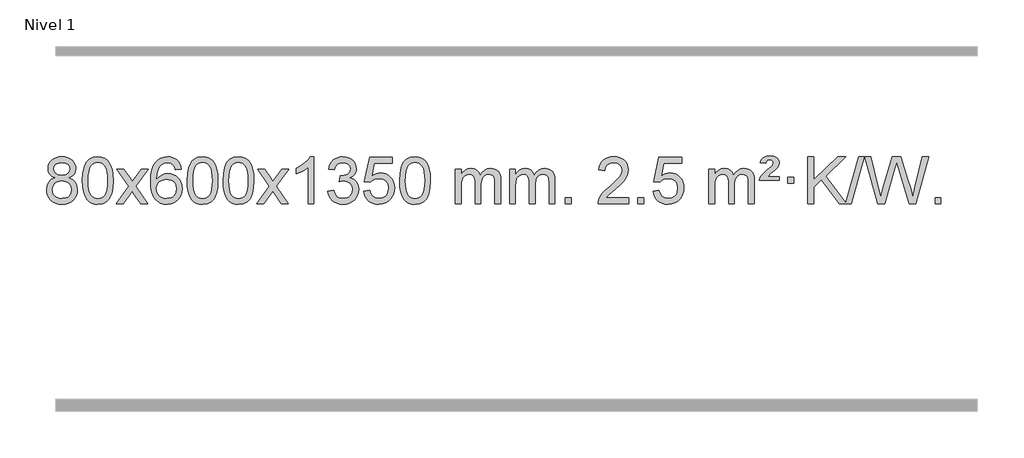
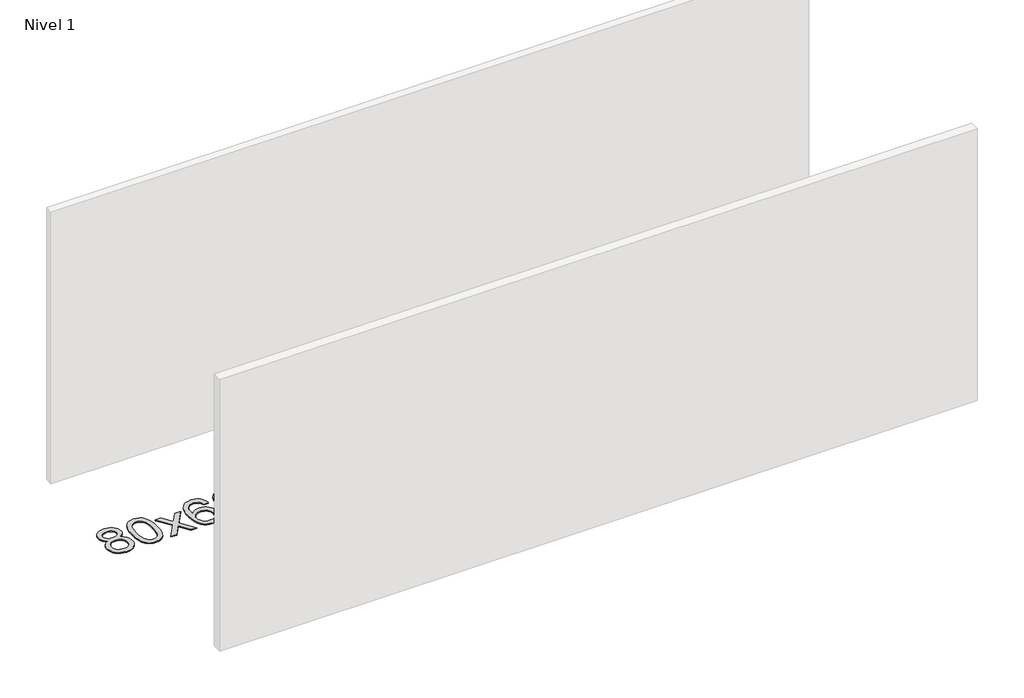
# One storey, part 10 of 18: 1 proxy.
"""IFC4 building model written with IfcOpenShell, lengths in millimetres."""

from ifc_helpers import new_model, si_unit, origin, origin_with_axes, place, context, project, spatial, polyline, outline, extrude, element, save

model = new_model("IFC4")

# Units and contexts
model_context = context("Model", 3, world=origin())
ifc_project = project(units=[si_unit("LENGTHUNIT", "METRE", prefix="MILLI")], contexts=[model_context])

# Site, building, storey
site = spatial("IfcSite", under=ifc_project)
building = spatial("IfcBuilding", under=site)
storey = spatial("IfcBuildingStorey", under=building, Name="Nivel 1", Elevation=0.0)

# Proxy
placement = place(None, origin())
element("IfcBuildingElementProxy", 1, Name="Texto de modelo 1", ObjectType="Texto de modelo 1", at=placement, inside=storey, context=model_context, shape_type="SweptSolid", body=[
    extrude(outline(polyline([(-12882.9857189, -12224.2616447), (-12909.8778927, -12211.0178929), (-12928.7502391, -12193.0652515), (-12939.8970635, -12170.7716026), (-12943.6126717, -12144.5048281), (-12941.5893207, -12124.0199324), (-12935.5192678, -12105.2395565), (-12925.4025129, -12088.1637006), (-12911.2390561, -12072.7923645), (-12893.709479, -12060.088173), (-12873.4943634, -12051.0137504), (-12850.5937092, -12045.5690969), (-12825.0075164, -12043.7542124), (-12799.2986964, -12045.6120165), (-12776.2263639, -12051.1854287), (-12755.7905191, -12060.4744491), (-12737.9911619, -12073.4790776), (-12723.5701876, -12089.1508506), (-12713.2694918, -12106.4413044), (-12707.0890743, -12125.3504389), (-12705.0289351, -12145.8782543), (-12708.6954923, -12171.2989001), (-12719.695164, -12193.2124043), (-12738.1505774, -12211.0546811), (-12764.1843599, -12224.2616447), (-12733.2700096, -12240.1909351), (-12710.7678942, -12263.6495436), (-12697.0458958, -12293.5092989), (-12692.4718963, -12328.6420295), (-12694.740502, -12353.6947933), (-12701.5463189, -12376.6628926), (-12712.8893471, -12397.5463272), (-12728.7695865, -12416.3450971), (-12748.3531714, -12431.88198), (-12770.8062358, -12442.9797536), (-12796.1287798, -12449.6384177), (-12824.3208034, -12451.8579724), (-12852.512827, -12449.6292206), (-12877.835371, -12442.9429654), (-12900.2884354, -12431.7992066), (-12919.8720203, -12416.1979443), (-12935.7522597, -12397.26735), (-12947.0952879, -12376.135595), (-12953.9011048, -12352.8026795), (-12956.1697105, -12327.2686033), (-12951.41177, -12290.7747094), (-12937.1379486, -12260.7555386), (-12914.0840102, -12238.2411605), (-12882.9857189, -12224.2616447)]), holes=[polyline([(-12893.3845166, -12145.9763561), (-12888.9331445, -12167.902123), (-12875.5790281, -12185.413306), (-12853.7145748, -12196.8912243), (-12823.7321922, -12200.717197), (-12794.4487854, -12196.9157497), (-12772.9154259, -12185.5114079), (-12759.6716741, -12168.5888361), (-12755.2570902, -12148.232699), (-12759.8188269, -12127.1040098), (-12773.5040371, -12109.629615), (-12795.3317022, -12097.8941794), (-12824.3208034, -12093.9823675), (-12853.4938456, -12097.8083402), (-12875.2847225, -12109.2862585), (-12888.8595681, -12126.1107284), (-12893.3845166, -12145.9763561)]), polyline([(-12905.9415554, -12325.5027698), (-12903.844628, -12344.7184726), (-12897.5538459, -12363.3210389), (-12885.9410376, -12379.5446349), (-12867.8780316, -12391.623427), (-12846.2465703, -12399.1282197), (-12823.9283959, -12401.6298173), (-12789.7398958, -12396.3691048), (-12775.8462192, -12389.7932141), (-12764.086258, -12380.5869672), (-12748.0466031, -12356.6869002), (-12742.7000514, -12327.0723996), (-12748.2182813, -12296.9551269), (-12764.7729711, -12272.5277625), (-12776.8517633, -12263.0854579), (-12791.0152201, -12256.3409547), (-12825.5961276, -12250.9453521), (-12859.3063811, -12256.2673783), (-12873.043708, -12262.919911), (-12884.7025015, -12272.2334569), (-12900.6317919, -12296.1948375), (-12905.9415554, -12325.5027698)])]), origin_with_axes(), (0.0, 0.0, 1.0), 10.0),
    extrude(outline(polyline([(-12648.5222606, -12247.9041943), (-12644.8311779, -12183.5861588), (-12633.7579299, -12132.2911459), (-12615.4128811, -12093.2343407), (-12603.5548181, -12078.0009605), (-12589.9063961, -12065.6309284), (-12574.4216298, -12056.0598651), (-12557.0545339, -12049.2233914), (-12516.6733536, -12043.7542124), (-12485.722215, -12046.991574), (-12458.0084381, -12056.7036586), (-12434.8318724, -12072.5103217), (-12417.4923677, -12094.0314184), (-12404.3957686, -12121.0830078), (-12393.94792, -12153.4811488), (-12387.1053149, -12194.6226186), (-12384.8244465, -12247.9041943), (-12388.478741, -12311.8543477), (-12399.4416244, -12363.0267333), (-12417.6763087, -12402.1203266), (-12429.5067805, -12417.3996922), (-12443.1460055, -12429.8341036), (-12458.6491659, -12439.4695462), (-12476.071444, -12446.3520052), (-12516.6733536, -12451.8579724), (-12544.3380796, -12449.4667394), (-12568.8635459, -12442.2930405), (-12590.2497526, -12430.3368757), (-12608.4966996, -12413.5982449), (-12626.0078825, -12383.3399508), (-12638.5158704, -12345.6381776), (-12646.0206631, -12300.4929255), (-12648.5222606, -12247.9041943)]), holes=[polyline([(-12598.2941056, -12247.8060924), (-12596.8225776, -12291.4706195), (-12592.4079936, -12326.8148822), (-12585.0503537, -12353.8388804), (-12574.7496579, -12372.5426142), (-12562.290721, -12385.2682656), (-12548.4583579, -12394.3580165), (-12533.2525688, -12399.8118671), (-12516.6733536, -12401.6298173), (-12500.0941383, -12399.8057357), (-12484.8883492, -12394.3334911), (-12471.0559862, -12385.2130833), (-12458.5970493, -12372.4445124), (-12448.2963534, -12353.7101217), (-12440.9387135, -12326.6922549), (-12436.5241295, -12291.3909118), (-12435.0526016, -12247.8060924), (-12436.4750786, -12205.2973278), (-12440.7425098, -12170.5753989), (-12447.854895, -12143.6403055), (-12457.8122343, -12124.4920476), (-12470.0627048, -12111.1440625), (-12484.0544833, -12101.6097875), (-12499.78757, -12095.8892225), (-12517.2619648, -12093.9823675), (-12533.7553409, -12095.6623619), (-12548.7036126, -12100.7023452), (-12562.10678, -12109.1023175), (-12573.9648429, -12120.8622786), (-12584.6088953, -12141.708925), (-12592.2117899, -12169.8151094), (-12596.7735266, -12205.1808319), (-12598.2941056, -12247.8060924)])]), origin_with_axes(), (0.0, 0.0, 1.0), 10.0),
    extrude(outline(polyline([(-12359.7103689, -12445.579453), (-12252.3869282, -12297.2494325), (-12353.4318496, -12150.4890419), (-12293.0011005, -12150.4890419), (-12244.2444734, -12221.122385), (-12221.4848406, -12254.4770192), (-12201.7663657, -12227.2047007), (-12146.2407099, -12150.4890419), (-12085.8099608, -12150.4890419), (-12191.9561791, -12297.2494325), (-12089.7340354, -12445.579453), (-12150.1647845, -12445.579453), (-12211.6746541, -12356.4048574), (-12222.9563686, -12340.1199477), (-12299.2796199, -12445.579453), (-12359.7103689, -12445.579453)])), origin_with_axes(), (0.0, 0.0, 1.0), 10.0),
    extrude(outline(polyline([(-11800.9221437, -12150.4890419), (-11851.1502988, -12156.7675613), (-11859.2437027, -12131.874213), (-11870.1820607, -12114.8780648), (-11892.9662189, -12099.2062918), (-11920.5083176, -12093.9823675), (-11943.8565616, -12097.0235253), (-11965.8313794, -12106.1469988), (-11984.7037258, -12125.3627017), (-12000.1179814, -12151.8134171), (-12010.5290419, -12189.227016), (-12014.3918028, -12241.3313693), (-11994.2441322, -12217.8237098), (-11970.0988106, -12201.2567573), (-11943.3047386, -12191.434308), (-11915.2108169, -12188.1601582), (-11891.077758, -12190.398107), (-11868.8086346, -12197.1119534), (-11848.4034466, -12208.3016975), (-11829.862194, -12223.9673391), (-11814.4540698, -12243.1769106), (-11803.4482668, -12264.9984443), (-11796.844785, -12289.4319401), (-11794.6436244, -12316.4773982), (-11798.7884282, -12352.4439945), (-11811.2228396, -12385.786366), (-11830.9167891, -12414.0642287), (-11856.840207, -12434.8372987), (-11887.815871, -12447.602804), (-11922.6665587, -12451.8579724), (-11952.6090874, -12449.0375437), (-11979.6514797, -12440.5762579), (-12003.7937357, -12426.4741147), (-12025.0358552, -12406.7311143), (-12042.3539001, -12380.5133908), (-12054.7239322, -12346.9870783), (-12062.1459515, -12306.1521768), (-12064.6199579, -12258.0086864), (-12061.8731057, -12204.0342663), (-12053.632549, -12157.9693092), (-12039.8982878, -12119.8138149), (-12020.6703222, -12089.5677835), (-11999.8298072, -12069.5243462), (-11975.6660915, -12055.2076052), (-11948.179175, -12046.6175606), (-11917.3690579, -12043.7542124), (-11894.2354118, -12045.5261773), (-11873.2967949, -12050.8420722), (-11854.5532073, -12059.7018969), (-11838.0046489, -12072.1056515), (-11824.0987094, -12087.6364031), (-11813.2829788, -12105.8772186), (-11805.5574569, -12126.8280983), (-11800.9221437, -12150.4890419)]), holes=[polyline([(-12014.3918028, -12315.6925832), (-12011.485535, -12337.9494439), (-12002.7667318, -12359.2007605), (-11989.2286743, -12377.472233), (-11971.8646442, -12390.7895612), (-11950.9076332, -12398.9197533), (-11926.5906333, -12401.6298173), (-11893.4444655, -12396.0134855), (-11879.5293291, -12388.9930708), (-11867.3861575, -12379.1644901), (-11857.5361171, -12366.9262824), (-11850.500374, -12352.6769865), (-11844.8717794, -12318.1451299), (-11850.4267976, -12284.9989621), (-11857.3705702, -12271.3781312), (-11867.0918519, -12259.725469), (-11879.2718117, -12250.3904634), (-11893.5916183, -12243.7226022), (-11928.6507725, -12238.3883133), (-11961.7478893, -12243.7226022), (-11989.4248781, -12259.725469), (-12000.3479076, -12271.2248471), (-12008.1500716, -12284.3858254), (-12012.83137, -12299.2084042), (-12014.3918028, -12315.6925832)])]), origin_with_axes(), (0.0, 0.0, 1.0), 10.0),
    extrude(outline(polyline([(-11750.6939887, -12247.9041943), (-11747.002906, -12183.5861588), (-11735.9296579, -12132.2911459), (-11717.5846091, -12093.2343407), (-11705.7265461, -12078.0009605), (-11692.0781241, -12065.6309284), (-11676.5933578, -12056.0598651), (-11659.2262619, -12049.2233914), (-11618.8450816, -12043.7542124), (-11587.8939431, -12046.991574), (-11560.1801661, -12056.7036586), (-11537.0036004, -12072.5103217), (-11519.6640957, -12094.0314184), (-11506.5674967, -12121.0830078), (-11496.119648, -12153.4811488), (-11489.2770429, -12194.6226186), (-11486.9961745, -12247.9041943), (-11490.650469, -12311.8543477), (-11501.6133525, -12363.0267333), (-11519.8480367, -12402.1203266), (-11531.6785085, -12417.3996922), (-11545.3177335, -12429.8341036), (-11560.8208939, -12439.4695462), (-11578.2431721, -12446.3520052), (-11618.8450816, -12451.8579724), (-11646.5098076, -12449.4667394), (-11671.035274, -12442.2930405), (-11692.4214806, -12430.3368757), (-11710.6684276, -12413.5982449), (-11728.1796106, -12383.3399508), (-11740.6875984, -12345.6381776), (-11748.1923911, -12300.4929255), (-11750.6939887, -12247.9041943)]), holes=[polyline([(-11700.4658336, -12247.8060924), (-11698.9943056, -12291.4706195), (-11694.5797217, -12326.8148822), (-11687.2220818, -12353.8388804), (-11676.9213859, -12372.5426142), (-11664.462449, -12385.2682656), (-11650.630086, -12394.3580165), (-11635.4242968, -12399.8118671), (-11618.8450816, -12401.6298173), (-11602.2658663, -12399.8057357), (-11587.0600772, -12394.3334911), (-11573.2277142, -12385.2130833), (-11560.7687773, -12372.4445124), (-11550.4680814, -12353.7101217), (-11543.1104415, -12326.6922549), (-11538.6958576, -12291.3909118), (-11537.2243296, -12247.8060924), (-11538.6468066, -12205.2973278), (-11542.9142378, -12170.5753989), (-11550.026623, -12143.6403055), (-11559.9839624, -12124.4920476), (-11572.2344328, -12111.1440625), (-11586.2262114, -12101.6097875), (-11601.959298, -12095.8892225), (-11619.4336928, -12093.9823675), (-11635.9270689, -12095.6623619), (-11650.8753406, -12100.7023452), (-11664.278508, -12109.1023175), (-11676.136571, -12120.8622786), (-11686.7806234, -12141.708925), (-11694.3835179, -12169.8151094), (-11698.9452547, -12205.1808319), (-11700.4658336, -12247.8060924)])]), origin_with_axes(), (0.0, 0.0, 1.0), 10.0),
    extrude(outline(polyline([(-11443.0465388, -12247.9041943), (-11439.3554561, -12183.5861588), (-11428.2822081, -12132.2911459), (-11409.9371593, -12093.2343407), (-11398.0790963, -12078.0009605), (-11384.4306743, -12065.6309284), (-11368.945908, -12056.0598651), (-11351.5788121, -12049.2233914), (-11311.1976318, -12043.7542124), (-11280.2464932, -12046.991574), (-11252.5327163, -12056.7036586), (-11229.3561506, -12072.5103217), (-11212.0166459, -12094.0314184), (-11198.9200468, -12121.0830078), (-11188.4721982, -12153.4811488), (-11181.6295931, -12194.6226186), (-11179.3487247, -12247.9041943), (-11183.0030192, -12311.8543477), (-11193.9659026, -12363.0267333), (-11212.2005869, -12402.1203266), (-11224.0310587, -12417.3996922), (-11237.6702837, -12429.8341036), (-11253.1734441, -12439.4695462), (-11270.5957222, -12446.3520052), (-11311.1976318, -12451.8579724), (-11338.8623578, -12449.4667394), (-11363.3878241, -12442.2930405), (-11384.7740308, -12430.3368757), (-11403.0209778, -12413.5982449), (-11420.5321607, -12383.3399508), (-11433.0401486, -12345.6381776), (-11440.5449413, -12300.4929255), (-11443.0465388, -12247.9041943)]), holes=[polyline([(-11392.8183838, -12247.8060924), (-11391.3468558, -12291.4706195), (-11386.9322718, -12326.8148822), (-11379.5746319, -12353.8388804), (-11369.2739361, -12372.5426142), (-11356.8149992, -12385.2682656), (-11342.9826361, -12394.3580165), (-11327.776847, -12399.8118671), (-11311.1976318, -12401.6298173), (-11294.6184165, -12399.8057357), (-11279.4126274, -12394.3334911), (-11265.5802644, -12385.2130833), (-11253.1213275, -12372.4445124), (-11242.8206316, -12353.7101217), (-11235.4629917, -12326.6922549), (-11231.0484077, -12291.3909118), (-11229.5768798, -12247.8060924), (-11230.9993568, -12205.2973278), (-11235.266788, -12170.5753989), (-11242.3791732, -12143.6403055), (-11252.3365125, -12124.4920476), (-11264.586983, -12111.1440625), (-11278.5787615, -12101.6097875), (-11294.3118482, -12095.8892225), (-11311.786243, -12093.9823675), (-11328.2796191, -12095.6623619), (-11343.2278908, -12100.7023452), (-11356.6310582, -12109.1023175), (-11368.4891211, -12120.8622786), (-11379.1331735, -12141.708925), (-11386.7360681, -12169.8151094), (-11391.2978048, -12205.1808319), (-11392.8183838, -12247.8060924)])]), origin_with_axes(), (0.0, 0.0, 1.0), 10.0),
    extrude(outline(polyline([(-11154.2346472, -12445.579453), (-11046.9112064, -12297.2494325), (-11147.9561278, -12150.4890419), (-11087.5253787, -12150.4890419), (-11038.7687516, -12221.122385), (-11016.0091188, -12254.4770192), (-10996.2906439, -12227.2047007), (-10940.7649881, -12150.4890419), (-10880.334239, -12150.4890419), (-10986.4804574, -12297.2494325), (-10884.2583136, -12445.579453), (-10944.6890627, -12445.579453), (-11006.1989323, -12356.4048574), (-11017.4806468, -12340.1199477), (-11093.8038981, -12445.579453), (-11154.2346472, -12445.579453)])), origin_with_axes(), (0.0, 0.0, 1.0), 10.0),
    extrude(outline(polyline([(-10664.5101352, -12445.579453), (-10714.7382902, -12445.579453), (-10714.7382902, -12132.4382987), (-10735.707564, -12149.3976587), (-10762.317695, -12166.3324932), (-10815.1946004, -12191.6918254), (-10815.1946004, -12144.2105225), (-10775.7453878, -12122.7507395), (-10741.5691504, -12097.219729), (-10714.6279257, -12070.0700378), (-10696.8837508, -12043.7542124), (-10664.5101352, -12043.7542124), (-10664.5101352, -12445.579453)])), origin_with_axes(), (0.0, 0.0, 1.0), 10.0),
    extrude(outline(polyline([(-10545.2182669, -12338.8446235), (-10494.9901118, -12332.5661041), (-10483.7451855, -12364.1303793), (-10467.2763348, -12385.4430095), (-10444.7742195, -12397.5831154), (-10415.429499, -12401.6298173), (-10380.9957442, -12396.0625364), (-10366.7219228, -12389.1034354), (-10354.4101387, -12379.3606939), (-10337.4139905, -12354.4428201), (-10331.7486078, -12324.2274455), (-10337.3649396, -12295.5449126), (-10354.213935, -12272.2825078), (-10379.72042, -12256.8682522), (-10411.3092206, -12251.730167), (-10446.5277903, -12257.2238715), (-10440.935984, -12206.9957164), (-10432.891631, -12207.5843276), (-10402.7988838, -12203.979084), (-10375.8944472, -12193.1633534), (-10364.8211992, -12184.9841103), (-10356.9117363, -12174.8673555), (-10352.1660585, -12162.8130888), (-10350.584166, -12148.8213102), (-10355.1704282, -12127.1285352), (-10368.9292148, -12109.5315131), (-10389.923014, -12097.8696539), (-10416.2143139, -12093.9823675), (-10442.5546648, -12097.9064421), (-10464.0880242, -12109.6786659), (-10479.8088481, -12129.299039), (-10488.7115924, -12156.7675613), (-10538.9397475, -12150.4890419), (-10532.9861905, -12126.5092672), (-10524.1508913, -12105.3867093), (-10512.4338497, -12087.1213683), (-10497.8350659, -12071.713244), (-10480.8143922, -12059.4811677), (-10461.8316813, -12050.7439703), (-10440.886933, -12045.5016519), (-10417.9801475, -12043.7542124), (-10386.4036096, -12047.2000404), (-10357.4022456, -12057.5375245), (-10332.9503557, -12073.8469596), (-10315.0222398, -12095.2086408), (-10304.0225681, -12119.8199463), (-10300.3560109, -12145.8782543), (-10303.8386271, -12170.1584659), (-10314.2864758, -12192.1823347), (-10331.5524041, -12210.9443165), (-10355.4892592, -12225.4388671), (-10324.0476114, -12238.1430586), (-10300.7484183, -12259.77452), (-10286.3274441, -12289.1560286), (-10281.5204527, -12325.1103623), (-10283.9239484, -12350.5923218), (-10291.1344355, -12374.0631931), (-10303.151914, -12395.5229762), (-10319.976384, -12414.971671), (-10340.4735425, -12431.1094278), (-10363.5090867, -12442.636397), (-10389.0830168, -12449.5525785), (-10417.1953326, -12451.8579724), (-10442.6037157, -12449.8898037), (-10465.7557559, -12443.9852977), (-10486.6514532, -12434.1444543), (-10505.2908077, -12420.3672736), (-10520.9196611, -12403.4630959), (-10532.7838554, -12384.2412617), (-10540.8833907, -12362.7017708), (-10545.2182669, -12338.8446235)])), origin_with_axes(), (0.0, 0.0, 1.0), 10.0),
    extrude(outline(polyline([(-10237.570817, -12338.8446235), (-10187.342662, -12332.5661041), (-10178.1210866, -12362.7201649), (-10162.0323807, -12384.3148381), (-10139.1501206, -12397.3010725), (-10109.5478827, -12401.6298173), (-10090.418019, -12400.1245668), (-10073.5444981, -12395.6088153), (-10058.9273202, -12388.0825628), (-10046.5664851, -12377.5458094), (-10036.7379045, -12364.519721), (-10029.7174898, -12349.5254641), (-10024.101158, -12313.6324441), (-10029.3618705, -12279.8363514), (-10035.9377612, -12265.9181493), (-10045.1440081, -12253.9865099), (-10057.0112681, -12244.4154467), (-10071.5701981, -12237.5789729), (-10108.7630678, -12232.1097939), (-10133.1291186, -12234.2925604), (-10152.8598563, -12240.8408599), (-10168.6174684, -12250.8717757), (-10181.0641426, -12263.5023908), (-10231.2922977, -12257.2238715), (-10187.342662, -12050.0327318), (-9992.708561, -12050.0327318), (-9992.708561, -12100.2608869), (-10146.7284897, -12100.2608869), (-10168.2127982, -12210.919791), (-10150.4870174, -12198.2155994), (-10132.332041, -12189.1411769), (-10113.7478688, -12183.6965234), (-10094.734501, -12181.8816388), (-10070.273414, -12184.1318504), (-10047.8050212, -12190.882485), (-10027.3293225, -12202.1335427), (-10008.8463179, -12217.8850234), (-9993.5454926, -12237.1743027), (-9982.6163316, -12259.038756), (-9976.0588351, -12283.4783832), (-9973.8730029, -12310.4931844), (-9975.8411716, -12336.5147042), (-9981.7456776, -12360.7213394), (-9991.586521, -12383.1130902), (-10005.3637017, -12403.6899565), (-10026.2348735, -12424.7634634), (-10050.5886616, -12439.8159684), (-10078.4250659, -12448.8474714), (-10109.7440864, -12451.8579724), (-10135.6644387, -12449.9235262), (-10159.077062, -12444.1201877), (-10179.9819564, -12434.447957), (-10198.3791218, -12420.9068338), (-10213.6860785, -12404.1712688), (-10225.3203466, -12384.915712), (-10233.2819261, -12363.1401636), (-10237.570817, -12338.8446235)])), origin_with_axes(), (0.0, 0.0, 1.0), 10.0),
    extrude(outline(polyline([(-9929.9233672, -12247.9041943), (-9926.2322845, -12183.5861588), (-9915.1590365, -12132.2911459), (-9896.8139876, -12093.2343407), (-9884.9559247, -12078.0009605), (-9871.3075026, -12065.6309284), (-9855.8227363, -12056.0598651), (-9838.4556405, -12049.2233914), (-9798.0744601, -12043.7542124), (-9767.1233216, -12046.991574), (-9739.4095446, -12056.7036586), (-9716.2329789, -12072.5103217), (-9698.8934742, -12094.0314184), (-9685.7968752, -12121.0830078), (-9675.3490265, -12153.4811488), (-9668.5064214, -12194.6226186), (-9666.2255531, -12247.9041943), (-9669.8798475, -12311.8543477), (-9680.842731, -12363.0267333), (-9699.0774152, -12402.1203266), (-9710.9078871, -12417.3996922), (-9724.547112, -12429.8341036), (-9740.0502724, -12439.4695462), (-9757.4725506, -12446.3520052), (-9798.0744601, -12451.8579724), (-9825.7391862, -12449.4667394), (-9850.2646525, -12442.2930405), (-9871.6508592, -12430.3368757), (-9889.8978061, -12413.5982449), (-9907.4089891, -12383.3399508), (-9919.9169769, -12345.6381776), (-9927.4217696, -12300.4929255), (-9929.9233672, -12247.9041943)]), holes=[polyline([(-9879.6952121, -12247.8060924), (-9878.2236842, -12291.4706195), (-9873.8091002, -12326.8148822), (-9866.4514603, -12353.8388804), (-9856.1507644, -12372.5426142), (-9843.6918275, -12385.2682656), (-9829.8594645, -12394.3580165), (-9814.6536754, -12399.8118671), (-9798.0744601, -12401.6298173), (-9781.4952449, -12399.8057357), (-9766.2894558, -12394.3334911), (-9752.4570927, -12385.2130833), (-9739.9981558, -12372.4445124), (-9729.69746, -12353.7101217), (-9722.3398201, -12326.6922549), (-9717.9252361, -12291.3909118), (-9716.4537081, -12247.8060924), (-9717.8761852, -12205.2973278), (-9722.1436163, -12170.5753989), (-9729.2560016, -12143.6403055), (-9739.2133409, -12124.4920476), (-9751.4638113, -12111.1440625), (-9765.4555899, -12101.6097875), (-9781.1886766, -12095.8892225), (-9798.6630713, -12093.9823675), (-9815.1564474, -12095.6623619), (-9830.1047192, -12100.7023452), (-9843.5078865, -12109.1023175), (-9855.3659495, -12120.8622786), (-9866.0100019, -12141.708925), (-9873.6128965, -12169.8151094), (-9878.1746332, -12205.1808319), (-9879.6952121, -12247.8060924)])]), origin_with_axes(), (0.0, 0.0, 1.0), 10.0),
    extrude(outline(polyline([(-9452.755894, -12445.579453), (-9452.755894, -12150.4890419), (-9402.5277389, -12150.4890419), (-9402.5277389, -12199.0494653), (-9387.4200517, -12176.7435537), (-9367.9958823, -12159.2691589), (-9344.9174185, -12147.9751816), (-9318.8468478, -12144.2105225), (-9290.9123416, -12148.048758), (-9268.5205908, -12159.5634645), (-9251.7942228, -12177.9943524), (-9240.8558648, -12202.5811324), (-9222.5476041, -12177.0439906), (-9201.6641696, -12158.803175), (-9178.205561, -12147.8586857), (-9152.1717785, -12144.2105225), (-9132.0639617, -12145.7280358), (-9114.414823, -12150.2805755), (-9099.2243623, -12157.8681416), (-9086.4925796, -12168.4907342), (-9076.4279413, -12182.2709806), (-9069.238914, -12199.3315082), (-9064.9254976, -12219.6723168), (-9063.4876922, -12243.2934066), (-9063.4876922, -12445.579453), (-9113.7158472, -12445.579453), (-9113.7158472, -12264.875817), (-9114.8808069, -12239.8230531), (-9118.3756858, -12222.9372695), (-9124.9239854, -12211.3735121), (-9135.2492067, -12202.2868268), (-9148.5297467, -12196.4007149), (-9163.9440023, -12194.4386776), (-9191.1550072, -12199.4663982), (-9213.3382915, -12214.54956), (-9221.9436645, -12226.1194488), (-9228.0903595, -12240.7182326), (-9233.0077155, -12279.0024856), (-9233.0077155, -12445.579453), (-9283.2358706, -12445.579453), (-9283.2358706, -12259.2840106), (-9286.1421384, -12230.8835206), (-9294.8609417, -12210.6254854), (-9310.2016209, -12198.4853796), (-9332.9735164, -12194.4386776), (-9352.3241093, -12197.1364789), (-9370.1541233, -12205.2298828), (-9384.8694032, -12218.5226856), (-9394.8757934, -12236.8186835), (-9400.6147525, -12262.2025411), (-9402.5277389, -12296.7589232), (-9402.5277389, -12445.579453), (-9452.755894, -12445.579453)])), origin_with_axes(), (0.0, 0.0, 1.0), 10.0),
    extrude(outline(polyline([(-8988.1454596, -12445.579453), (-8988.1454596, -12150.4890419), (-8937.9173045, -12150.4890419), (-8937.9173045, -12199.0494653), (-8922.8096172, -12176.7435537), (-8903.3854479, -12159.2691589), (-8880.306984, -12147.9751816), (-8854.2364133, -12144.2105225), (-8826.3019071, -12148.048758), (-8803.9101564, -12159.5634645), (-8787.1837883, -12177.9943524), (-8776.2454303, -12202.5811324), (-8757.9371697, -12177.0439906), (-8737.0537351, -12158.803175), (-8713.5951266, -12147.8586857), (-8687.561344, -12144.2105225), (-8667.4535273, -12145.7280358), (-8649.8043886, -12150.2805755), (-8634.6139279, -12157.8681416), (-8621.8821452, -12168.4907342), (-8611.8175069, -12182.2709806), (-8604.6284796, -12199.3315082), (-8600.3150632, -12219.6723168), (-8598.8772577, -12243.2934066), (-8598.8772577, -12445.579453), (-8649.1054128, -12445.579453), (-8649.1054128, -12264.875817), (-8650.2703724, -12239.8230531), (-8653.7652514, -12222.9372695), (-8660.3135509, -12211.3735121), (-8670.6387722, -12202.2868268), (-8683.9193123, -12196.4007149), (-8699.3335679, -12194.4386776), (-8726.5445728, -12199.4663982), (-8748.7278571, -12214.54956), (-8757.3332301, -12226.1194488), (-8763.4799251, -12240.7182326), (-8768.3972811, -12279.0024856), (-8768.3972811, -12445.579453), (-8818.6254362, -12445.579453), (-8818.6254362, -12259.2840106), (-8821.5317039, -12230.8835206), (-8830.2505072, -12210.6254854), (-8845.5911864, -12198.4853796), (-8868.3630819, -12194.4386776), (-8887.7136749, -12197.1364789), (-8905.5436889, -12205.2298828), (-8920.2589687, -12218.5226856), (-8930.265359, -12236.8186835), (-8936.0043181, -12262.2025411), (-8937.9173045, -12296.7589232), (-8937.9173045, -12445.579453), (-8988.1454596, -12445.579453)])), origin_with_axes(), (0.0, 0.0, 1.0), 10.0),
    extrude(outline(polyline([(-8510.9779863, -12445.579453), (-8510.9779863, -12395.3512979), (-8460.7498313, -12395.3512979), (-8460.7498313, -12445.579453), (-8510.9779863, -12445.579453)])), origin_with_axes(), (0.0, 0.0, 1.0), 10.0),
    extrude(outline(polyline([(-7964.7467999, -12395.3512979), (-7964.7467999, -12445.579453), (-8228.444614, -12445.579453), (-8227.3409681, -12427.8965918), (-8223.0490115, -12410.9494945), (-8210.6636509, -12383.8856424), (-8192.5393313, -12357.6311307), (-8166.3216078, -12330.1503456), (-8129.6560356, -12299.4076736), (-8075.454755, -12251.2641831), (-8042.9339866, -12215.7267824), (-8026.6736024, -12186.884834), (-8021.2534744, -12158.8277005), (-8026.3670341, -12133.6768347), (-8041.7077133, -12112.7688747), (-8065.2889492, -12098.6789943), (-8095.124179, -12093.9823675), (-8126.4554623, -12098.5686297), (-8150.7969876, -12112.3274163), (-8166.5055488, -12134.1796068), (-8171.9379396, -12163.0460807), (-8222.1660947, -12156.7675613), (-8217.8465469, -12130.838012), (-8209.9892006, -12108.1826125), (-8198.5940558, -12088.8013627), (-8183.6611125, -12072.6942627), (-8165.5337272, -12060.0329907), (-8144.5552564, -12050.989225), (-8120.7257002, -12045.5629655), (-8094.0450585, -12043.7542124), (-8067.1252935, -12045.7653006), (-8043.1669785, -12051.7985654), (-8022.1701137, -12061.8540066), (-8004.1346989, -12075.9316242), (-7989.6493453, -12092.9890861), (-7979.3026642, -12111.9840598), (-7973.0946555, -12132.9165453), (-7971.0253193, -12155.7865427), (-7973.2571367, -12179.8092369), (-7979.952589, -12203.4149983), (-7991.8351775, -12227.4254299), (-8009.6284033, -12252.6621347), (-8037.9921051, -12282.7916701), (-8081.5861216, -12321.4805933), (-8139.3681203, -12369.795762), (-8162.0296512, -12395.3512979), (-7964.7467999, -12395.3512979)])), origin_with_axes(), (0.0, 0.0, 1.0), 10.0),
    extrude(outline(polyline([(-7889.4045673, -12445.579453), (-7889.4045673, -12395.3512979), (-7839.1764122, -12395.3512979), (-7839.1764122, -12445.579453), (-7889.4045673, -12445.579453)])), origin_with_axes(), (0.0, 0.0, 1.0), 10.0),
    extrude(outline(polyline([(-7757.5556602, -12338.8446235), (-7707.3275051, -12332.5661041), (-7698.1059298, -12362.7201649), (-7682.0172239, -12384.3148381), (-7659.1349638, -12397.3010725), (-7629.5327259, -12401.6298173), (-7610.4028621, -12400.1245668), (-7593.5293413, -12395.6088153), (-7578.9121634, -12388.0825628), (-7566.5513283, -12377.5458094), (-7556.7227477, -12364.519721), (-7549.7023329, -12349.5254641), (-7544.0860012, -12313.6324441), (-7549.3467137, -12279.8363514), (-7555.9226043, -12265.9181493), (-7565.1288513, -12253.9865099), (-7576.9961113, -12244.4154467), (-7591.5550413, -12237.5789729), (-7628.747911, -12232.1097939), (-7653.1139618, -12234.2925604), (-7672.8446995, -12240.8408599), (-7688.6023116, -12250.8717757), (-7701.0489858, -12263.5023908), (-7751.2771408, -12257.2238715), (-7707.3275051, -12050.0327318), (-7512.6934042, -12050.0327318), (-7512.6934042, -12100.2608869), (-7666.7133329, -12100.2608869), (-7688.1976414, -12210.919791), (-7670.4718606, -12198.2155994), (-7652.3168841, -12189.1411769), (-7633.732712, -12183.6965234), (-7614.7193442, -12181.8816388), (-7590.2582572, -12184.1318504), (-7567.7898644, -12190.882485), (-7547.3141657, -12202.1335427), (-7528.8311611, -12217.8850234), (-7513.5303358, -12237.1743027), (-7502.6011748, -12259.038756), (-7496.0436783, -12283.4783832), (-7493.8578461, -12310.4931844), (-7495.8260148, -12336.5147042), (-7501.7305208, -12360.7213394), (-7511.5713641, -12383.1130902), (-7525.3485449, -12403.6899565), (-7546.2197167, -12424.7634634), (-7570.5735048, -12439.8159684), (-7598.4099091, -12448.8474714), (-7629.7289296, -12451.8579724), (-7655.6492819, -12449.9235262), (-7679.0619052, -12444.1201877), (-7699.9667996, -12434.447957), (-7718.363965, -12420.9068338), (-7733.6709217, -12404.1712688), (-7745.3051898, -12384.915712), (-7753.2667693, -12363.1401636), (-7757.5556602, -12338.8446235)])), origin_with_axes(), (0.0, 0.0, 1.0), 10.0),
    extrude(outline(polyline([(-7280.388187, -12445.579453), (-7280.388187, -12150.4890419), (-7230.1600319, -12150.4890419), (-7230.1600319, -12199.0494653), (-7215.0523447, -12176.7435537), (-7195.6281753, -12159.2691589), (-7172.5497115, -12147.9751816), (-7146.4791408, -12144.2105225), (-7118.5446346, -12148.048758), (-7096.1528838, -12159.5634645), (-7079.4265158, -12177.9943524), (-7068.4881578, -12202.5811324), (-7050.1798972, -12177.0439906), (-7029.2964626, -12158.803175), (-7005.837854, -12147.8586857), (-6979.8040715, -12144.2105225), (-6959.6962548, -12145.7280358), (-6942.047116, -12150.2805755), (-6926.8566553, -12157.8681416), (-6914.1248726, -12168.4907342), (-6904.0602344, -12182.2709806), (-6896.871207, -12199.3315082), (-6892.5577906, -12219.6723168), (-6891.1199852, -12243.2934066), (-6891.1199852, -12445.579453), (-6941.3481403, -12445.579453), (-6941.3481403, -12264.875817), (-6942.5130999, -12239.8230531), (-6946.0079789, -12222.9372695), (-6952.5562784, -12211.3735121), (-6962.8814997, -12202.2868268), (-6976.1620397, -12196.4007149), (-6991.5762953, -12194.4386776), (-7018.7873002, -12199.4663982), (-7040.9705845, -12214.54956), (-7049.5759576, -12226.1194488), (-7055.7226526, -12240.7182326), (-7060.6400086, -12279.0024856), (-7060.6400086, -12445.579453), (-7110.8681636, -12445.579453), (-7110.8681636, -12259.2840106), (-7113.7744314, -12230.8835206), (-7122.4932347, -12210.6254854), (-7137.8339139, -12198.4853796), (-7160.6058094, -12194.4386776), (-7179.9564023, -12197.1364789), (-7197.7864164, -12205.2298828), (-7212.5016962, -12218.5226856), (-7222.5080864, -12236.8186835), (-7228.2470456, -12262.2025411), (-7230.1600319, -12296.7589232), (-7230.1600319, -12445.579453), (-7280.388187, -12445.579453)])), origin_with_axes(), (0.0, 0.0, 1.0), 10.0),
    extrude(outline(polyline([(-6847.1703495, -12244.6668327), (-6843.3443767, -12228.8479069), (-6835.0057182, -12212.9799302), (-6813.4968842, -12187.8413272), (-6781.5402016, -12160.1030247), (-6737.3943621, -12122.726214), (-6730.2574514, -12111.1992448), (-6727.8784812, -12099.3779701), (-6729.7669421, -12087.2869152), (-6735.4323248, -12077.5012541), (-6744.801053, -12071.026531), (-6757.7995501, -12068.8682899), (-6770.2339616, -12070.4869707), (-6779.0876549, -12075.343013), (-6785.5133271, -12084.8098431), (-6790.663675, -12100.2608869), (-6840.8918301, -12093.9823675), (-6830.051574, -12068.7701881), (-6813.4233078, -12051.2099542), (-6789.6581309, -12040.9092583), (-6757.4071427, -12037.475693), (-6721.6244873, -12041.6082341), (-6696.8782917, -12054.0058573), (-6682.4573175, -12072.3386434), (-6677.6503261, -12094.2766731), (-6681.746079, -12117.1834586), (-6694.0333376, -12138.8149199), (-6714.561153, -12158.6314968), (-6751.0305214, -12186.6886303), (-6776.6351083, -12213.2742358), (-6677.6503261, -12213.2742358), (-6677.6503261, -12244.6668327), (-6847.1703495, -12244.6668327)])), origin_with_axes(), (0.0, 0.0, 1.0), 10.0),
    extrude(outline(polyline([(-6602.3080935, -12269.7809102), (-6602.3080935, -12219.5527552), (-6552.0799384, -12219.5527552), (-6552.0799384, -12269.7809102), (-6602.3080935, -12269.7809102)])), origin_with_axes(), (0.0, 0.0, 1.0), 10.0),
    extrude(outline(polyline([(-6161.4383105, -12445.579453), (-6314.8696279, -12242.9009991), (-6382.559915, -12307.4520265), (-6382.559915, -12445.579453), (-6432.7880701, -12445.579453), (-6432.7880701, -12043.7542124), (-6382.559915, -12043.7542124), (-6382.559915, -12240.4484525), (-6176.5459977, -12043.7542124), (-6106.3050621, -12043.7542124), (-6279.2586508, -12208.9577537), (-6104.6050409, -12439.5349332), (-5993.2917132, -12043.7542124), (-5947.9686514, -12043.7542124), (-6060.9820003, -12445.579453), (-6100.0265428, -12445.579453), (-6106.3050621, -12445.579453), (-6161.4383105, -12445.579453)])), origin_with_axes(), (0.0, 0.0, 1.0), 10.0),
    extrude(outline(polyline([(-5833.4837745, -12445.579453), (-5943.0635581, -12043.7542124), (-5891.2657732, -12043.7542124), (-5827.6957645, -12307.844434), (-5808.0753914, -12389.3670841), (-5787.0815922, -12317.2622131), (-5707.4228775, -12043.7542124), (-5632.7673579, -12043.7542124), (-5574.8872574, -12242.0180823), (-5550.0920109, -12315.5944814), (-5531.8205385, -12389.3670841), (-5512.7887766, -12310.1988788), (-5448.6301566, -12043.7542124), (-5396.8323717, -12043.7542124), (-5506.5102572, -12445.579453), (-5560.1719776, -12445.579453), (-5656.5080094, -12135.5775584), (-5669.9479649, -12092.3146358), (-5685.0556522, -12144.4067263), (-5772.8568217, -12445.579453), (-5833.4837745, -12445.579453)])), origin_with_axes(), (0.0, 0.0, 1.0), 10.0),
    extrude(outline(polyline([(-5340.3256972, -12445.579453), (-5340.3256972, -12395.3512979), (-5290.0975422, -12395.3512979), (-5290.0975422, -12445.579453), (-5340.3256972, -12445.579453)])), origin_with_axes(), (0.0, 0.0, 1.0), 10.0),
])

save(model, "model.ifc")
